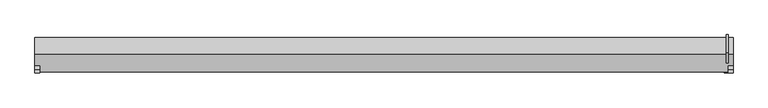
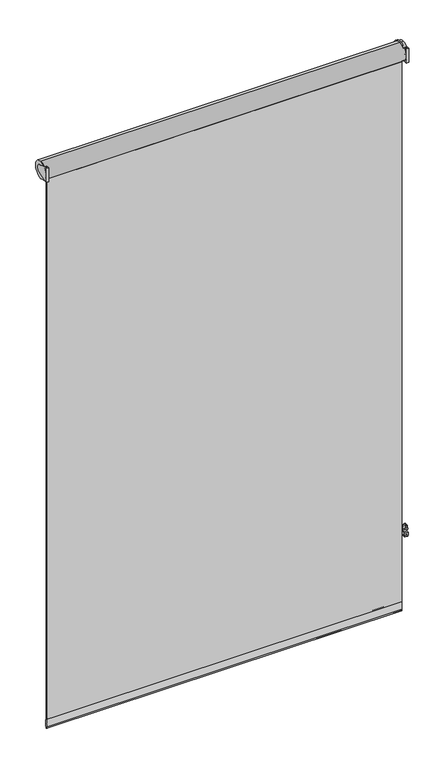
"""IFC4 building model written with IfcOpenShell, lengths in millimetres: proxy geometry."""

from ifc_helpers import new_model, si_unit, point, frame, frame_2d, origin, place, context, project, spatial, polyline, circle_curve, trimmed, segment, composite_curve, outline, extrude, source, transform, mapped, element, save
from ifc_brep_helpers import plane_surface, cylinder_surface, revolved_surface, advanced_brep


def specialty_equipment_b4b6a6cf(model_context):
    return source(origin(), model_context, "Body", "SolidModel", [
        extrude(outline(composite_curve([segment(trimmed(circle_curve(frame_2d((749.2007812, 134.14375)), 1.5875), [point((750.7882812, 134.14375))], [point((747.6132812, 134.14375))], False, "CARTESIAN"), True, "CONTINUOUS"), segment(trimmed(circle_curve(frame_2d((749.2007812, 134.14375)), 1.5875), [point((747.6132812, 134.14375))], [point((750.7882812, 134.14375))], False, "CARTESIAN"), True, "CONTINUOUS")], self_intersect=False)), frame((0.0, 0.0, -1056.64), z_axis=(0.0, 0.0, 1.0), x_axis=(1.0, 0.0, 0.0)), (0.0, 0.0, 1.0), 2072.64),
        extrude(outline(composite_curve([segment(trimmed(circle_curve(frame_2d((749.2007812, 165.89375)), 1.5875), [point((750.7882812, 165.89375))], [point((747.6132812, 165.89375))], False, "CARTESIAN"), True, "CONTINUOUS"), segment(trimmed(circle_curve(frame_2d((749.2007812, 165.89375)), 1.5875), [point((747.6132812, 165.89375))], [point((750.7882812, 165.89375))], False, "CARTESIAN"), True, "CONTINUOUS")], self_intersect=False)), frame((0.0, 0.0, -1056.64), z_axis=(0.0, 0.0, 1.0), x_axis=(1.0, 0.0, 0.0)), (0.0, 0.0, 1.0), 2072.64),
        extrude(outline(composite_curve([segment(polyline([(101.6, 1085.596), (107.95, 1085.596), (150.9197415, 1072.2985161)]), True, "CONTINUOUS"), segment(trimmed(circle_curve(frame_2d((145.2567006, 1053.9988586)), 19.1558737), [point((150.9197415, 1072.2985161))], [point((164.338, 1055.6875))], False, "CARTESIAN"), True, "CONTINUOUS"), segment(polyline([(164.338, 1055.6875), (164.338, 1052.5125)]), True, "CONTINUOUS"), segment(trimmed(circle_curve(frame_2d((145.2567006, 1054.2011414)), 19.1558737), [point((164.338, 1052.5125))], [point((150.9197415, 1035.9014839))], False, "CARTESIAN"), True, "CONTINUOUS"), segment(polyline([(150.9197415, 1035.9014839), (107.95, 1022.604), (101.6, 1022.604), (101.6, 1085.596)]), True, "CONTINUOUS")], self_intersect=False)), frame((751.8796875, 0.0, 0.0), z_axis=(1.0, 0.0, 0.0), x_axis=(0.0, 1.0, 0.0)), (0.0, 0.0, 1.0), 10.1203125),
        extrude(outline(composite_curve([segment(trimmed(circle_curve(frame_2d((145.4383137, 1054.1)), 39.6875), [point((145.4383137, 1014.4125))], [point((145.4383137, 1093.7875))], False, "CARTESIAN"), True, "CONTINUOUS"), segment(trimmed(circle_curve(frame_2d((145.4383137, 1054.1)), 39.6875), [point((145.4383137, 1093.7875))], [point((145.4383137, 1014.4125))], False, "CARTESIAN"), True, "CONTINUOUS")], self_intersect=False)), frame((746.8195313, 0.0, 0.0), z_axis=(1.0, 0.0, 0.0), x_axis=(0.0, 1.0, 0.0)), (0.0, 0.0, 1.0), 5.0601562),
        extrude(outline(composite_curve([segment(polyline([(101.6, 1085.596), (107.95, 1085.596), (150.9197415, 1072.2985161)]), True, "CONTINUOUS"), segment(trimmed(circle_curve(frame_2d((145.2567006, 1053.9988586)), 19.1558737), [point((150.9197415, 1072.2985161))], [point((164.338, 1055.6875))], False, "CARTESIAN"), True, "CONTINUOUS"), segment(polyline([(164.338, 1055.6875), (164.338, 1052.5125)]), True, "CONTINUOUS"), segment(trimmed(circle_curve(frame_2d((145.2567006, 1054.2011414)), 19.1558737), [point((164.338, 1052.5125))], [point((150.9197415, 1035.9014839))], False, "CARTESIAN"), True, "CONTINUOUS"), segment(polyline([(150.9197415, 1035.9014839), (107.95, 1022.604), (101.6, 1022.604), (101.6, 1085.596)]), True, "CONTINUOUS")], self_intersect=False)), frame((751.8796875, 0.0, 0.0), z_axis=(1.0, 0.0, 0.0), x_axis=(0.0, 1.0, 0.0)), (0.0, 0.0, 1.0), 10.1203125),
        extrude(outline(composite_curve([segment(polyline([(101.6, 1085.596), (107.95, 1085.596), (150.9197415, 1072.2985161)]), True, "CONTINUOUS"), segment(trimmed(circle_curve(frame_2d((145.2567006, 1053.9988586)), 19.1558737), [point((150.9197415, 1072.2985161))], [point((164.338, 1055.6875))], False, "CARTESIAN"), True, "CONTINUOUS"), segment(polyline([(164.338, 1055.6875), (164.338, 1052.5125)]), True, "CONTINUOUS"), segment(trimmed(circle_curve(frame_2d((145.2567006, 1054.2011414)), 19.1558737), [point((164.338, 1052.5125))], [point((150.9197415, 1035.9014839))], False, "CARTESIAN"), True, "CONTINUOUS"), segment(polyline([(150.9197415, 1035.9014839), (107.95, 1022.604), (101.6, 1022.604), (101.6, 1085.596)]), True, "CONTINUOUS")], self_intersect=False)), frame((-762.0, 0.0, 0.0), z_axis=(1.0, 0.0, 0.0), x_axis=(0.0, 1.0, 0.0)), (0.0, 0.0, 1.0), 10.1203125),
        extrude(outline(composite_curve([segment(trimmed(circle_curve(frame_2d((141.2875, 1054.1)), 38.1), [point((141.2875, 1016.0))], [point((141.2875, 1092.2))], False, "CARTESIAN"), True, "CONTINUOUS"), segment(trimmed(circle_curve(frame_2d((141.2875, 1054.1)), 38.1), [point((141.2875, 1092.2))], [point((141.2875, 1016.0))], False, "CARTESIAN"), True, "CONTINUOUS")], self_intersect=False)), frame((-762.0, 0.0, 0.0), z_axis=(1.0, 0.0, 0.0), x_axis=(0.0, 1.0, 0.0)), (0.0, 0.0, 1.0), 1524.0),
        advanced_brep(
        [(747.7354939, 114.3, -1079.6206114), (742.6985034, 114.3, -1073.9919114), (747.3852092, 114.3, -1031.8824753), (750.346424, 114.3, -1029.2325541), (752.8176385, 114.3, -1029.2325541), (755.7788533, 114.3, -1031.8824753), (760.4655591, 114.3, -1073.9919114), (755.4285686, 114.3, -1079.6206114), (754.7570312, 114.3, -1072.9784077), (748.4070312, 114.3, -1072.9784077), (754.7570312, 114.3, -1037.2596577), (748.4070312, 114.3, -1037.2596577), (747.7354939, 101.6, -1079.6206114), (755.4285686, 101.6, -1079.6206114), (760.4655591, 101.6, -1073.9919114), (759.2410658, 101.6, -1062.99), (743.9229967, 101.6, -1062.99), (742.6985034, 101.6, -1073.9919114), (754.7570312, 101.6, -1072.9784077), (748.4070312, 101.6, -1072.9784077), (755.7788533, 101.6, -1031.8824753), (752.8176385, 101.6, -1029.2325541), (750.346424, 101.6, -1029.2325541), (747.3852092, 101.6, -1031.8824753), (745.5599094, 101.6, -1048.2825541), (757.6041531, 101.6, -1048.2825541), (754.7570312, 101.6, -1037.2596577), (748.4070312, 101.6, -1037.2596577), (743.9229967, 111.125, -1062.99), (745.5599094, 111.125, -1048.2825541), (757.6041531, 111.125, -1048.2825541), (759.2410658, 111.125, -1062.99)],
        [
            (0, 1, circle_curve(frame((747.7354939, 114.3, -1074.5525195), z_axis=(0.0, 1.0, 0.0), x_axis=(1.0, 0.0, 0.0)), 5.0680919)),
            (1, 2),
            (2, 3, circle_curve(frame((750.346424, 114.3, -1032.2120532), z_axis=(0.0, 1.0, 0.0), x_axis=(1.0, 0.0, 0.0)), 2.9794991)),
            (3, 4),
            (4, 5, circle_curve(frame((752.8176385, 114.3, -1032.2120532), z_axis=(0.0, 1.0, 0.0), x_axis=(-1.0, 0.0, 0.0)), 2.9794991)),
            (5, 6),
            (6, 7, circle_curve(frame((755.4285686, 114.3, -1074.5525195), z_axis=(0.0, 1.0, 0.0), x_axis=(-1.0, 0.0, 0.0)), 5.0680919)),
            (7, 0),
            (8, 9, circle_curve(frame((751.5820312, 114.3, -1072.9784077), z_axis=(0.0, -1.0, 0.0), x_axis=(-1.0, 0.0, 0.0)), 3.175)),
            (9, 8, circle_curve(frame((751.5820312, 114.3, -1072.9784077), z_axis=(0.0, -1.0, 0.0), x_axis=(-1.0, 0.0, 0.0)), 3.175)),
            (10, 11, circle_curve(frame((751.5820312, 114.3, -1037.2596577), z_axis=(0.0, -1.0, 0.0), x_axis=(-1.0, 0.0, 0.0)), 3.175)),
            (11, 10, circle_curve(frame((751.5820312, 114.3, -1037.2596577), z_axis=(0.0, -1.0, 0.0), x_axis=(-1.0, 0.0, 0.0)), 3.175)),
            (12, 13),
            (13, 14, circle_curve(frame((755.4285686, 101.6, -1074.5525195), z_axis=(0.0, -1.0, 0.0), x_axis=(-1.0, 0.0, 0.0)), 5.0680919)),
            (14, 15),
            (15, 16),
            (16, 17),
            (17, 12, circle_curve(frame((747.7354939, 101.6, -1074.5525195), z_axis=(0.0, -1.0, 0.0), x_axis=(1.0, 0.0, 0.0)), 5.0680919)),
            (18, 19, circle_curve(frame((751.5820312, 101.6, -1072.9784077), z_axis=(0.0, 1.0, 0.0), x_axis=(-1.0, 0.0, 0.0)), 3.175)),
            (19, 18, circle_curve(frame((751.5820312, 101.6, -1072.9784077), z_axis=(0.0, 1.0, 0.0), x_axis=(-1.0, 0.0, 0.0)), 3.175)),
            (20, 21, circle_curve(frame((752.8176385, 101.6, -1032.2120532), z_axis=(0.0, -1.0, 0.0), x_axis=(-1.0, 0.0, 0.0)), 2.9794991)),
            (21, 22),
            (22, 23, circle_curve(frame((750.346424, 101.6, -1032.2120532), z_axis=(0.0, -1.0, 0.0), x_axis=(1.0, 0.0, 0.0)), 2.9794991)),
            (23, 24),
            (24, 25),
            (25, 20),
            (26, 27, circle_curve(frame((751.5820312, 101.6, -1037.2596577), z_axis=(0.0, 1.0, 0.0), x_axis=(-1.0, 0.0, 0.0)), 3.175)),
            (27, 26, circle_curve(frame((751.5820312, 101.6, -1037.2596577), z_axis=(0.0, 1.0, 0.0), x_axis=(-1.0, 0.0, 0.0)), 3.175)),
            (0, 12),
            (17, 1),
            (16, 28),
            (28, 29),
            (29, 24),
            (23, 2),
            (22, 3),
            (21, 4),
            (20, 5),
            (25, 30),
            (30, 31),
            (31, 15),
            (14, 6),
            (13, 7),
            (8, 18),
            (19, 9),
            (10, 26),
            (27, 11),
            (28, 31),
            (30, 29),
        ],
        [
            plane_surface(frame((752.8035858, 114.3, -1074.5525195), z_axis=(0.0, 1.0, 0.0), x_axis=(0.0, 0.0, -1.0))),
            plane_surface(frame((752.8035858, 101.6, -1074.5525195), z_axis=(0.0, -1.0, 0.0), x_axis=(0.0, 0.0, 1.0))),
            cylinder_surface(frame((747.7354939, 101.6, -1074.5525195), z_axis=(0.0, 1.0, 0.0), x_axis=(1.0, 0.0, 0.0)), 5.0680919),
            plane_surface(frame((742.6985034, 114.3, -1073.9919114), z_axis=(-0.9938633059315278, 0.0, 0.11061523006735681), x_axis=(0.0, -1.0, 0.0))),
            cylinder_surface(frame((750.346424, 101.6, -1032.2120532), z_axis=(0.0, 1.0, 0.0), x_axis=(1.0, 0.0, 0.0)), 2.9794991),
            plane_surface(frame((750.346424, 114.3, -1029.2325541), z_axis=(0.0, 0.0, 1.0), x_axis=(0.0, -1.0, 0.0))),
            cylinder_surface(frame((752.8176385, 101.6, -1032.2120532), z_axis=(0.0, 1.0, 0.0), x_axis=(-1.0, 0.0, 0.0)), 2.9794991),
            plane_surface(frame((755.7788533, 114.3, -1031.8824753), z_axis=(0.9938633059315279, 0.0, 0.11061523006735688), x_axis=(0.0, -1.0, 0.0))),
            cylinder_surface(frame((755.4285686, 101.6, -1074.5525195), z_axis=(0.0, 1.0, 0.0), x_axis=(-1.0, 0.0, 0.0)), 5.0680919),
            plane_surface(frame((755.4285686, 114.3, -1079.6206114), z_axis=(0.0, 0.0, -1.0), x_axis=(0.0, -1.0, 0.0))),
            revolved_surface(polyline([(748.4070312, 101.6, -1072.9784077), (748.4070312, 114.3, -1072.9784077)]), (751.5820312, 101.6, -1072.9784077), (0.0, -1.0, 0.0)),
            revolved_surface(polyline([(748.4070312, 101.6, -1037.2596577), (748.4070312, 114.3, -1037.2596577)]), (751.5820312, 101.6, -1037.2596577), (0.0, -1.0, 0.0)),
            plane_surface(frame((770.4401033, 111.125, -1048.2825541), z_axis=(0.0, -1.0, 0.0), x_axis=(1.0, 0.0, 0.0))),
            plane_surface(frame((742.8547176, 111.125, -1048.2825541), z_axis=(0.0, 0.0, -1.0), x_axis=(0.0, -1.0, 0.0))),
            plane_surface(frame((760.6677181, 111.125, -1062.99), z_axis=(0.0, 0.0, 1.0), x_axis=(0.0, -1.0, 0.0))),
        ],
        [
            (0, [[1, 2, 3, 4, 5, 6, 7, 8], [9, 10], [11, 12]]),
            (1, [[13, 14, 15, 16, 17, 18], [19, 20]]),
            (1, [[21, 22, 23, 24, 25, 26], [27, 28]]),
            (2, [[-1, 29, -18, 30]]),
            (3, [[-2, -30, -17, 31, 32, 33, -24, 34]]),
            (4, [[-3, -34, -23, 35]]),
            (5, [[-4, -35, -22, 36]]),
            (6, [[-5, -36, -21, 37]]),
            (7, [[-6, -37, -26, 38, 39, 40, -15, 41]]),
            (8, [[-7, -41, -14, 42]]),
            (9, [[-8, -42, -13, -29]]),
            (10, [[-9, 43, -20, 44]]),
            (10, [[-10, -44, -19, -43]]),
            (11, [[-11, 45, -28, 46]]),
            (11, [[-12, -46, -27, -45]]),
            (12, [[47, -39, 48, -32]]),
            (13, [[-48, -38, -25, -33]]),
            (14, [[-47, -31, -16, -40]]),
        ],
    ),
        extrude(outline(composite_curve([segment(polyline([(128.6060561, -1378.2764606), (130.1776996, -1378.2764606)]), True, "CONTINUOUS"), segment(trimmed(circle_curve(frame_2d((71.3428541, -1399.6871547)), 62.6095589), [point((130.1776996, -1378.2764606))], [point((129.7951301, -1422.1212428))], False, "CARTESIAN"), True, "CONTINUOUS"), segment(trimmed(circle_curve(frame_2d((129.3918778, -1421.9322124)), 0.4453592), [point((129.7951301, -1422.1212428))], [point((128.9886256, -1422.1212428))], False, "CARTESIAN"), True, "CONTINUOUS"), segment(trimmed(circle_curve(frame_2d((187.4409016, -1399.6871547)), 62.6095589), [point((128.9886256, -1422.1212428))], [point((128.6060561, -1378.2764606))], False, "CARTESIAN"), True, "CONTINUOUS")], self_intersect=False)), frame((-746.8195313, 0.0, 0.0), z_axis=(1.0, 0.0, 0.0), x_axis=(0.0, 1.0, 0.0)), (0.0, 0.0, 1.0), 1493.6390625),
        extrude(outline(polyline([(-746.8195313, 130.175), (746.8195313, 130.175), (746.8195313, 127.0), (-746.8195313, 127.0), (-746.8195313, 130.175)])), frame((0.0, 0.0, -1422.4), z_axis=(0.0, 0.0, 1.0), x_axis=(1.0, 0.0, 0.0)), (0.0, 0.0, 1.0), 2438.4),
    ])


if __name__ == "__main__":
    model = new_model("IFC4")
    model_context = context("Model", 3, world=origin())
    ifc_project = project(units=[si_unit("LENGTHUNIT", "METRE", prefix="MILLI")], contexts=[model_context])
    site = spatial("IfcSite", under=ifc_project)
    building = spatial("IfcBuilding", under=site)
    placement = place(None, origin())
    specialty_equipment_shape = specialty_equipment_b4b6a6cf(model_context)
    element("IfcBuildingElementProxy", 1, Name="Specialty Equipment", at=placement, inside=building, context=model_context, shape_type="MappedRepresentation", body=[
        mapped(specialty_equipment_shape, transform((0.0, 0.0, 0.0), x_axis=(1.0, 0.0, 0.0), y_axis=(0.0, 1.0, 0.0), z_axis=(0.0, 0.0, 1.0))),
    ])
    save(model, "model.ifc")
